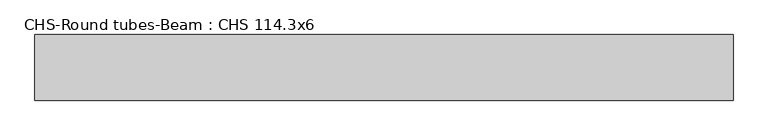
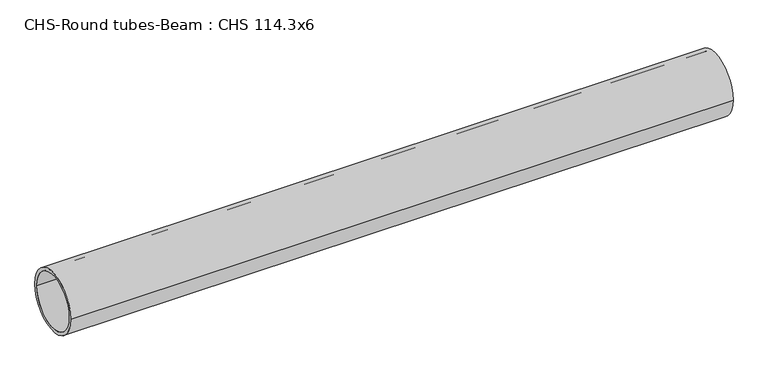
"""IFC4 building model written with IfcOpenShell, lengths in millimetres: beam geometry, CHS-Round tubes-Beam : CHS 114.3x6."""

from ifc_helpers import new_model, si_unit, point, frame, origin, origin_2d, place, context, project, spatial, circle_curve, trimmed, segment, composite_curve, outline, extrude, source, transform, mapped, element, save


def chs_round_tubes_beam_chs_114_3x6_02e9f206(model_context):
    return source(origin(), model_context, "Body", "SweptSolid", [
        extrude(outline(composite_curve([segment(trimmed(circle_curve(origin_2d(), 57.15), [point((57.15, 0.0))], [point((-57.15, 0.0))], False, "CARTESIAN"), True, "CONTINUOUS"), segment(trimmed(circle_curve(origin_2d(), 57.15), [point((-57.15, 0.0))], [point((57.15, 0.0))], False, "CARTESIAN"), True, "CONTINUOUS")], self_intersect=False), holes=[composite_curve([segment(trimmed(circle_curve(origin_2d(), 51.15), [point((51.15, 0.0))], [point((-51.15, 0.0))], True, "CARTESIAN"), True, "CONTINUOUS"), segment(trimmed(circle_curve(origin_2d(), 51.15), [point((-51.15, 0.0))], [point((51.15, 0.0))], True, "CARTESIAN"), True, "CONTINUOUS")], self_intersect=False)]), frame((-585.8945712, 0.0, 0.0), z_axis=(1.0, 0.0, 0.0), x_axis=(0.0, 1.0, 0.0)), (0.0, 0.0, 1.0), 1215.9213848),
    ])


if __name__ == "__main__":
    model = new_model("IFC4")
    model_context = context("Model", 3, world=origin())
    ifc_project = project(units=[si_unit("LENGTHUNIT", "METRE", prefix="MILLI")], contexts=[model_context])
    site = spatial("IfcSite", under=ifc_project)
    building = spatial("IfcBuilding", under=site)
    placement = place(None, origin())
    chs_round_tubes_beam_chs_114_3x6_shape = chs_round_tubes_beam_chs_114_3x6_02e9f206(model_context)
    element("IfcBeam", 1, ObjectType="CHS-Round tubes-Beam : CHS 114.3x6", at=placement, inside=building, context=model_context, shape_type="MappedRepresentation", body=[
        mapped(chs_round_tubes_beam_chs_114_3x6_shape, transform((0.0, 0.0, 0.0), x_axis=(1.0, 0.0, 0.0), y_axis=(0.0, 1.0, 0.0), z_axis=(0.0, 0.0, 1.0))),
    ])
    save(model, "model.ifc")
